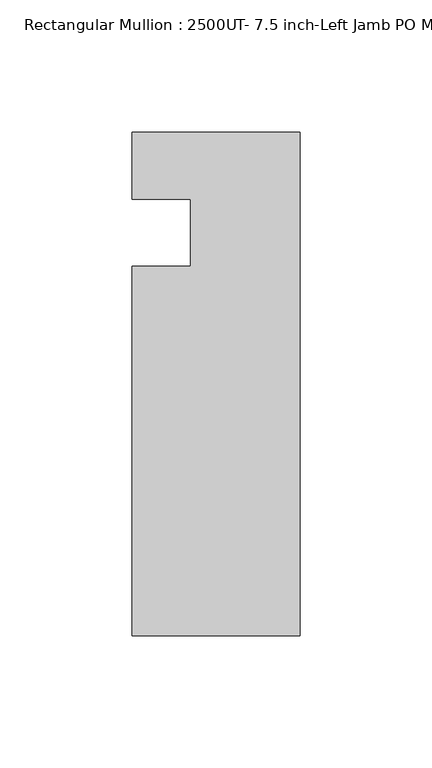
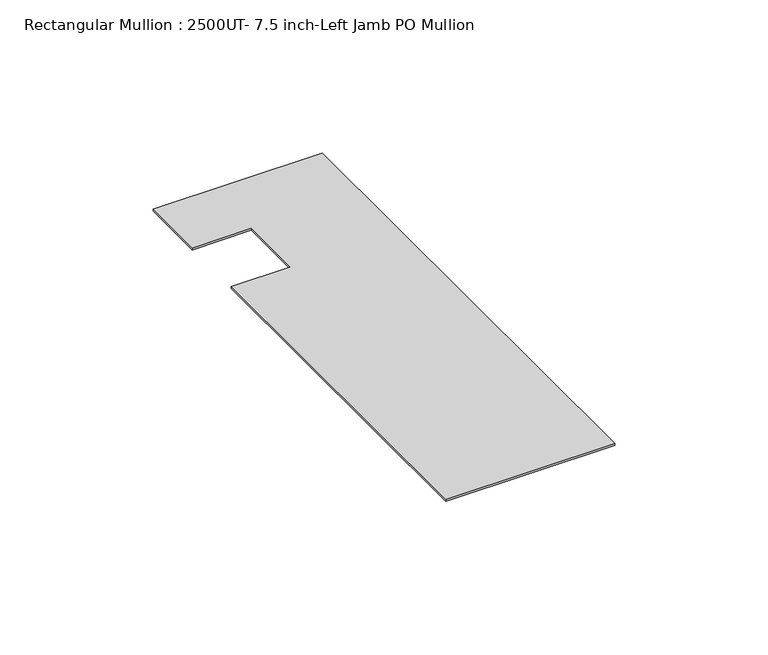
"""IFC4 building model written with IfcOpenShell, lengths in millimetres: member geometry, Rectangular Mullion : 2500UT- 7.5 inch-Left Jamb PO Mullion."""

from ifc_helpers import new_model, si_unit, frame, origin, place, context, project, spatial, polyline, outline, extrude, source, transform, mapped, element, save


def rectangular_mullion_2500ut_7_5_inch_left_jamb_po_mullion_376a4fe6(model_context):
    return source(origin(), model_context, "Body", "SweptSolid", [
        extrude(outline(polyline([(32.2226911, 38.1), (32.2226911, -152.399995), (-31.2773089, -152.399995), (-31.2773089, -12.7), (-9.0523089, -12.7), (-9.0523089, 12.7309282), (-31.2773089, 12.7309282), (-31.2773089, 38.1), (32.2226911, 38.1)])), frame((0.0, 0.0, -0.7941147), z_axis=(0.0, 0.0, 1.0), x_axis=(1.0, 0.0, 0.0)), (0.0, 0.0, 1.0), 0.7941147),
    ])


if __name__ == "__main__":
    model = new_model("IFC4")
    model_context = context("Model", 3, world=origin())
    ifc_project = project(units=[si_unit("LENGTHUNIT", "METRE", prefix="MILLI")], contexts=[model_context])
    site = spatial("IfcSite", under=ifc_project)
    building = spatial("IfcBuilding", under=site)
    placement = place(None, origin())
    rectangular_mullion_2500ut_7_5_inch_left_jamb_po_mullion_shape = rectangular_mullion_2500ut_7_5_inch_left_jamb_po_mullion_376a4fe6(model_context)
    element("IfcMember", 1, ObjectType="Rectangular Mullion : 2500UT- 7.5 inch-Left Jamb PO Mullion", at=placement, inside=building, context=model_context, shape_type="MappedRepresentation", body=[
        mapped(rectangular_mullion_2500ut_7_5_inch_left_jamb_po_mullion_shape, transform((0.0, 0.0, 0.0), x_axis=(1.0, 0.0, 0.0), y_axis=(0.0, 1.0, 0.0), z_axis=(0.0, 0.0, 1.0))),
    ])
    save(model, "model.ifc")
